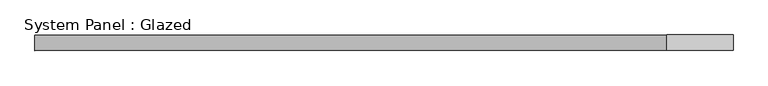
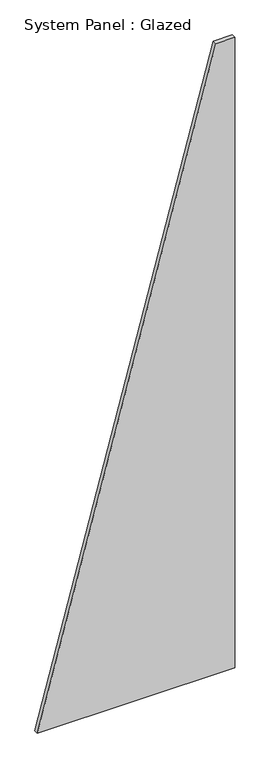
"""IFC4 building model written with IfcOpenShell, lengths in millimetres: plate geometry, System Panel : Glazed."""

from ifc_helpers import new_model, si_unit, frame, origin, place, context, project, spatial, polyline, outline, extrude, source, transform, mapped, element, save


def system_panel_glazed_409d3ed7(model_context):
    return source(origin(), model_context, "Body", "SweptSolid", [
        extrude(outline(polyline([(0.0, -569.9959446), (0.0, 569.9959446), (3850.0, 569.9959446), (3850.0, 461.6084463), (0.0, -569.9959446)])), frame((0.0, -2.5, 0.0), z_axis=(0.0, 1.0, 0.0), x_axis=(0.0, 0.0, 1.0)), (0.0, 0.0, 1.0), 25.0),
    ])


if __name__ == "__main__":
    model = new_model("IFC4")
    model_context = context("Model", 3, world=origin())
    ifc_project = project(units=[si_unit("LENGTHUNIT", "METRE", prefix="MILLI")], contexts=[model_context])
    site = spatial("IfcSite", under=ifc_project)
    building = spatial("IfcBuilding", under=site)
    placement = place(None, origin())
    system_panel_glazed_shape = system_panel_glazed_409d3ed7(model_context)
    element("IfcPlate", 1, ObjectType="System Panel : Glazed", at=placement, inside=building, context=model_context, shape_type="MappedRepresentation", body=[
        mapped(system_panel_glazed_shape, transform((0.0, 0.0, 0.0), x_axis=(1.0, 0.0, 0.0), y_axis=(0.0, 1.0, 0.0), z_axis=(0.0, 0.0, 1.0))),
    ])
    save(model, "model.ifc")
